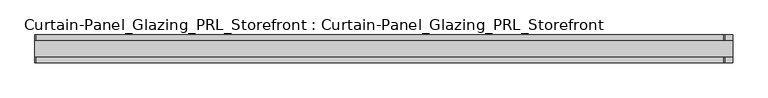
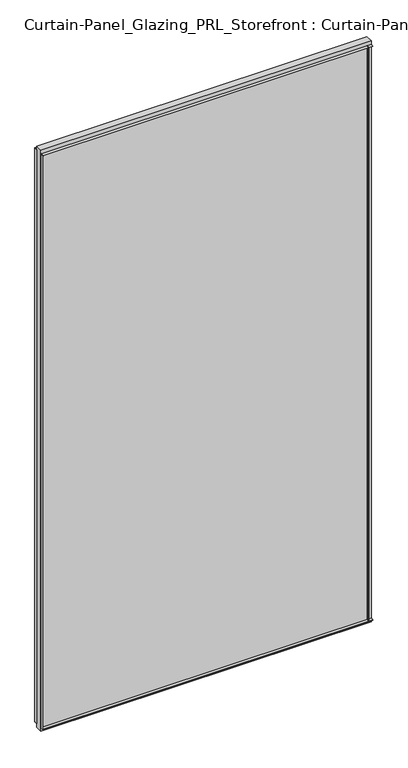
"""IFC4 building model written with IfcOpenShell, lengths in millimetres: plate geometry, Curtain-Panel_Glazing_PRL_Storefront : Curtain-Panel_Glazing_PRL_Storefront."""

from ifc_helpers import new_model, si_unit, frame, origin, origin_with_axes, place, context, project, spatial, polyline, outline, extrude, source, transform, mapped, element, save


def curtain_panel_glazing_prl_storefront_curtain_panel_glazing_d3f61f07(model_context):
    return source(origin(), model_context, "Body", "SweptSolid", [
        extrude(outline(polyline([(574.675, -22.225), (573.0875, -22.225), (573.0875, -12.7), (574.675, -12.7), (574.675, -22.225)])), frame((0.0, 0.0, 12.7), z_axis=(0.0, 0.0, 1.0), x_axis=(1.0, 0.0, 0.0)), (0.0, 0.0, 1.0), 2051.05),
        extrude(outline(polyline([(574.675, 22.225), (574.675, 12.7), (573.0875, 12.7), (573.0875, 22.225), (574.675, 22.225)])), frame((0.0, 0.0, 12.7), z_axis=(0.0, 0.0, 1.0), x_axis=(1.0, 0.0, 0.0)), (0.0, 0.0, 1.0), 2051.05),
        extrude(outline(polyline([(-530.225, -22.225), (-530.225, -12.7), (-528.6375, -12.7), (-528.6375, -22.225), (-530.225, -22.225)])), frame((0.0, 0.0, 12.7), z_axis=(0.0, 0.0, 1.0), x_axis=(1.0, 0.0, 0.0)), (0.0, 0.0, 1.0), 2051.05),
        extrude(outline(polyline([(-530.225, 22.225), (-528.6375, 22.225), (-528.6375, 12.7), (-530.225, 12.7), (-530.225, 22.225)])), frame((0.0, 0.0, 12.7), z_axis=(0.0, 0.0, 1.0), x_axis=(1.0, 0.0, 0.0)), (0.0, 0.0, 1.0), 2051.05),
        extrude(outline(polyline([(587.375, 12.7), (587.375, -12.7), (-530.225, -12.7), (-530.225, 12.7), (587.375, 12.7)])), origin_with_axes(), (0.0, 0.0, 1.0), 2076.45),
        extrude(outline(polyline([(-530.225, -22.225), (-530.225, -12.7), (587.375, -12.7), (587.375, -22.225), (-530.225, -22.225)])), frame((0.0, 0.0, 2062.1625), z_axis=(0.0, 0.0, 1.0), x_axis=(1.0, 0.0, 0.0)), (0.0, 0.0, 1.0), 1.5875),
        extrude(outline(polyline([(-530.225, 22.225), (587.375, 22.225), (587.375, 12.7), (-530.225, 12.7), (-530.225, 22.225)])), frame((0.0, 0.0, 2062.1625), z_axis=(0.0, 0.0, 1.0), x_axis=(1.0, 0.0, 0.0)), (0.0, 0.0, 1.0), 1.5875),
        extrude(outline(polyline([(-530.225, -22.225), (-530.225, -12.7), (587.375, -12.7), (587.375, -22.225), (-530.225, -22.225)])), frame((0.0, 0.0, 12.7), z_axis=(0.0, 0.0, 1.0), x_axis=(1.0, 0.0, 0.0)), (0.0, 0.0, 1.0), 1.5875),
        extrude(outline(polyline([(-530.225, 22.225), (587.375, 22.225), (587.375, 12.7), (-530.225, 12.7), (-530.225, 22.225)])), frame((0.0, 0.0, 12.7), z_axis=(0.0, 0.0, 1.0), x_axis=(1.0, 0.0, 0.0)), (0.0, 0.0, 1.0), 1.5875),
    ])


if __name__ == "__main__":
    model = new_model("IFC4")
    model_context = context("Model", 3, world=origin())
    ifc_project = project(units=[si_unit("LENGTHUNIT", "METRE", prefix="MILLI")], contexts=[model_context])
    site = spatial("IfcSite", under=ifc_project)
    building = spatial("IfcBuilding", under=site)
    placement = place(None, origin())
    curtain_panel_glazing_prl_storefront_curtain_panel_glazing_shape = curtain_panel_glazing_prl_storefront_curtain_panel_glazing_d3f61f07(model_context)
    element("IfcPlate", 1, ObjectType="Curtain-Panel_Glazing_PRL_Storefront : Curtain-Panel_Glazing_PRL_Storefront", at=placement, inside=building, context=model_context, shape_type="MappedRepresentation", body=[
        mapped(curtain_panel_glazing_prl_storefront_curtain_panel_glazing_shape, transform((0.0, 0.0, 0.0), x_axis=(1.0, 0.0, 0.0), y_axis=(0.0, 1.0, 0.0), z_axis=(0.0, 0.0, 1.0))),
    ])
    save(model, "model.ifc")
